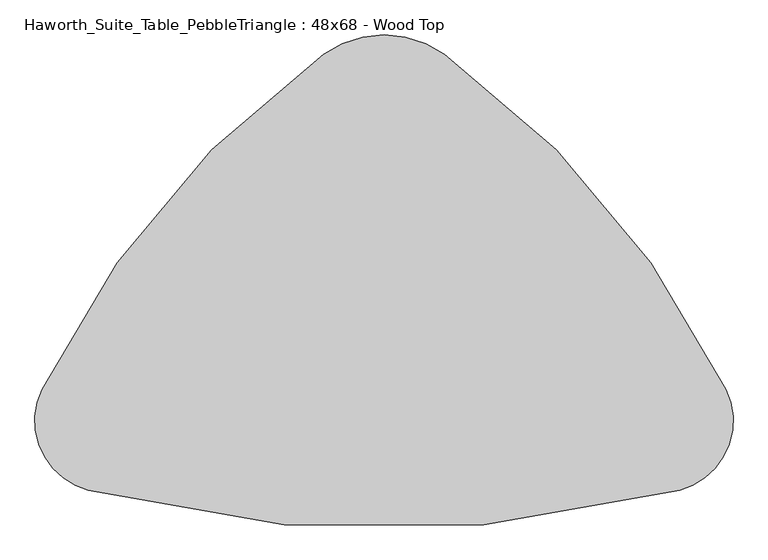
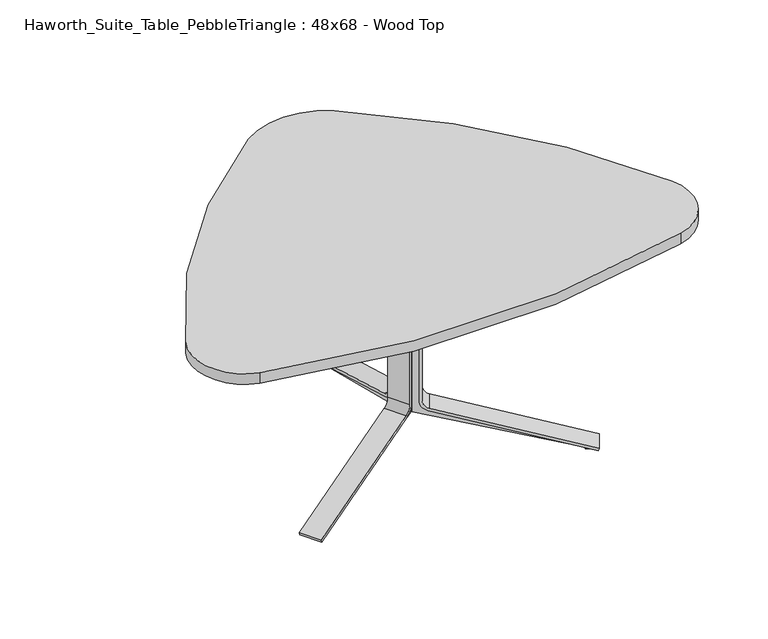
"""IFC4 building model written with IfcOpenShell, lengths in millimetres: furniture geometry, Haworth_Suite_Table_PebbleTriangle : 48x68 - Wood Top."""

from ifc_helpers import new_model, si_unit, point, frame, frame_2d, origin, place, context, project, spatial, polyline, circle_curve, trimmed, segment, composite_curve, outline, extrude, source, transform, mapped, element, save


def haworth_suite_table_pebbletriangle_48x68_wood_top_c439408d(model_context):
    return source(origin(), model_context, "Body", "SweptSolid", [
        extrude(outline(composite_curve([segment(polyline([(-269.3436324, 0.0), (-295.5330754, 5.8726591), (-44.1875449, 20.7494046)]), True, "CONTINUOUS"), segment(trimmed(circle_curve(frame_2d((-46.438684, 58.7828422)), 38.1), [point((-44.1875449, 20.7494046))], [point((-9.2618925, 50.446406))], True, "CARTESIAN"), True, "CONTINUOUS"), segment(polyline([(-9.2618925, 50.446406), (82.3027309, 458.7838346)]), True, "CONTINUOUS"), segment(trimmed(circle_curve(frame_2d((45.1259393, 467.1202708)), 38.1), [point((82.3027309, 458.7838346))], [point((63.4019806, 500.5507407))], True, "CARTESIAN"), True, "CONTINUOUS"), segment(polyline([(63.4019806, 500.5507407), (-393.0670035, 750.0969211), (-391.6775969, 756.2930555), (-363.1013705, 749.8851897), (-364.1289314, 745.3027257), (112.9884974, 503.8783626), (0.0, 0.0), (-269.3436324, 0.0)]), True, "CONTINUOUS")], self_intersect=False)), frame((-15.5441472, -673.435421, 652.2665091), z_axis=(-0.49999999999999856, 0.8660254037844395, 0.0), x_axis=(0.8450405756685904, 0.4878844038384151, -0.21880409951582677)), (0.0, 0.0, 1.0), 47.625),
        extrude(outline(composite_curve([segment(polyline([(27.4680529, -36.4513375), (174.0095606, 474.5996329), (183.1655841, 471.9741854), (36.3672848, -39.0934672)]), True, "CONTINUOUS"), segment(trimmed(circle_curve(frame_2d((-0.2519977, -28.575)), 38.1), [point((36.3672848, -39.0934672))], [point((-0.2519977, -66.675))], False, "CARTESIAN"), True, "CONTINUOUS"), segment(polyline([(-0.2519977, -66.675), (-418.7296385, -66.675)]), True, "CONTINUOUS"), segment(trimmed(circle_curve(frame_2d((-418.7296385, -28.575)), 38.1), [point((-418.7296385, -66.675))], [point((-455.3489221, -39.0934634))], False, "CARTESIAN"), True, "CONTINUOUS"), segment(polyline([(-455.3489221, -39.0934634), (-523.3798781, 197.7514787)]), True, "CONTINUOUS"), segment(trimmed(circle_curve(frame_2d((-486.7605946, 208.2699421)), 38.1), [point((-523.3798781, 197.7514787))], [point((-524.8605946, 208.2699421))], False, "CARTESIAN"), True, "CONTINUOUS"), segment(polyline([(-524.8605946, 208.2699421), (-524.8605946, 303.1768115), (-515.3355946, 303.1768115), (-515.3355946, 210.0197483)]), True, "CONTINUOUS"), segment(trimmed(circle_curve(frame_2d((-477.2355946, 210.0197483)), 38.1), [point((-515.3355946, 210.0197483))], [point((-513.8596652, 199.5179651))], True, "CARTESIAN"), True, "CONTINUOUS"), segment(polyline([(-513.8596652, 199.5179651), (-446.1965565, -36.4513375)]), True, "CONTINUOUS"), segment(trimmed(circle_curve(frame_2d((-418.7285036, -28.575)), 28.575), [point((-446.1965565, -36.4513375))], [point((-418.7285036, -57.15))], True, "CARTESIAN"), True, "CONTINUOUS"), segment(polyline([(-418.7285036, -57.15), (0.0, -57.15)]), True, "CONTINUOUS"), segment(trimmed(circle_curve(frame_2d((0.0, -28.575)), 28.575), [point((0.0, -57.15))], [point((27.4680529, -36.4513375))], True, "CARTESIAN"), True, "CONTINUOUS")], self_intersect=False)), frame((-83.5284008, -729.1839321, 186.3393812), z_axis=(-0.4999999999999986, 0.8660254037844395, 0.0), x_axis=(0.0, 0.0, -1.0)), (0.0, 0.0, 1.0), 76.2),
        extrude(outline(composite_curve([segment(polyline([(-269.3436324, 0.0), (0.0, 0.0), (112.9884974, -503.8783626), (-364.1289314, -745.3027257), (-363.1013705, -749.8851897), (-391.6775969, -756.2930555), (-393.0670035, -750.0969211), (63.4019806, -500.5507407)]), True, "CONTINUOUS"), segment(trimmed(circle_curve(frame_2d((45.1259393, -467.1202708)), 38.1), [point((63.4019806, -500.5507407))], [point((82.3027309, -458.7838346))], True, "CARTESIAN"), True, "CONTINUOUS"), segment(polyline([(82.3027309, -458.7838346), (-9.2618925, -50.446406)]), True, "CONTINUOUS"), segment(trimmed(circle_curve(frame_2d((-46.438684, -58.7828422)), 38.1), [point((-9.2618925, -50.446406))], [point((-44.1875449, -20.7494046))], True, "CARTESIAN"), True, "CONTINUOUS"), segment(polyline([(-44.1875449, -20.7494046), (-295.5330754, -5.8726591), (-269.3436324, 0.0)]), True, "CONTINUOUS")], self_intersect=False)), frame((-9.8558528, -673.435421, 652.2665091), z_axis=(0.49999999999999856, 0.8660254037844395, 0.0), x_axis=(-0.8450405756685904, 0.4878844038384151, -0.21880409951582677)), (0.0, 0.0, 1.0), 47.625),
        extrude(outline(composite_curve([segment(trimmed(circle_curve(frame_2d((0.0, 28.575)), 28.575), [point((27.4680529, 36.4513375))], [point((0.0, 57.15))], True, "CARTESIAN"), True, "CONTINUOUS"), segment(polyline([(0.0, 57.15), (-418.7285036, 57.15)]), True, "CONTINUOUS"), segment(trimmed(circle_curve(frame_2d((-418.7285036, 28.575)), 28.575), [point((-418.7285036, 57.15))], [point((-446.1965565, 36.4513375))], True, "CARTESIAN"), True, "CONTINUOUS"), segment(polyline([(-446.1965565, 36.4513375), (-513.8596652, -199.5179651)]), True, "CONTINUOUS"), segment(trimmed(circle_curve(frame_2d((-477.2355946, -210.0197483)), 38.1), [point((-513.8596652, -199.5179651))], [point((-515.3355946, -210.0197483))], True, "CARTESIAN"), True, "CONTINUOUS"), segment(polyline([(-515.3355946, -210.0197483), (-515.3355946, -303.1768115), (-524.8605946, -303.1768115), (-524.8605946, -208.2699421)]), True, "CONTINUOUS"), segment(trimmed(circle_curve(frame_2d((-486.7605946, -208.2699421)), 38.1), [point((-524.8605946, -208.2699421))], [point((-523.3798781, -197.7514787))], False, "CARTESIAN"), True, "CONTINUOUS"), segment(polyline([(-523.3798781, -197.7514787), (-455.3489221, 39.0934634)]), True, "CONTINUOUS"), segment(trimmed(circle_curve(frame_2d((-418.7296385, 28.575)), 38.1), [point((-455.3489221, 39.0934634))], [point((-418.7296385, 66.675))], False, "CARTESIAN"), True, "CONTINUOUS"), segment(polyline([(-418.7296385, 66.675), (-0.2519977, 66.675)]), True, "CONTINUOUS"), segment(trimmed(circle_curve(frame_2d((-0.2519977, 28.575)), 38.1), [point((-0.2519977, 66.675))], [point((36.3672848, 39.0934672))], False, "CARTESIAN"), True, "CONTINUOUS"), segment(polyline([(36.3672848, 39.0934672), (183.1655841, -471.9741854), (174.0095606, -474.5996329), (27.4680529, 36.4513375)]), True, "CONTINUOUS")], self_intersect=False)), frame((58.1284008, -729.1839321, 186.3393812), z_axis=(0.4999999999999986, 0.8660254037844395, 0.0), x_axis=(0.0, 0.0, -1.0)), (0.0, 0.0, 1.0), 76.2),
        extrude(outline(composite_curve([segment(polyline([(-364.4476386, 711.2), (-337.6078352, 711.2), (-579.6078709, 641.6883033)]), True, "CONTINUOUS"), segment(trimmed(circle_curve(frame_2d((-569.0894074, 605.0690197)), 38.1), [point((-579.6078709, 641.6883033))], [point((-607.1894074, 605.0690197))], True, "CARTESIAN"), True, "CONTINUOUS"), segment(polyline([(-607.1894074, 605.0690197), (-607.1894074, 186.5913789)]), True, "CONTINUOUS"), segment(trimmed(circle_curve(frame_2d((-569.0894074, 186.5913789)), 38.1), [point((-607.1894074, 186.5913789))], [point((-579.6078747, 149.9720964))], True, "CARTESIAN"), True, "CONTINUOUS"), segment(polyline([(-579.6078747, 149.9720964), (-79.5979509, 6.3500025), (-79.5979509, 0.0), (-108.8838087, 0.0), (-108.8838087, 4.69626), (-627.2647536, 135.8753736), (-627.2647536, 652.2665091), (-364.4476386, 711.2)]), True, "CONTINUOUS")], self_intersect=False)), frame((-36.5125, 0.0, 0.0), z_axis=(1.0, 0.0, 0.0), x_axis=(0.0, 1.0, 0.0)), (0.0, 0.0, 1.0), 47.625),
        extrude(outline(composite_curve([segment(polyline([(-576.9657449, 158.8713283), (-65.9147745, 12.3298206), (-68.540222, 3.1737971), (-579.6078747, 149.9720964)]), True, "CONTINUOUS"), segment(trimmed(circle_curve(frame_2d((-569.0894074, 186.5913789)), 38.1), [point((-579.6078747, 149.9720964))], [point((-607.1894074, 186.5913789))], False, "CARTESIAN"), True, "CONTINUOUS"), segment(polyline([(-607.1894074, 186.5913789), (-607.1894074, 605.0690197)]), True, "CONTINUOUS"), segment(trimmed(circle_curve(frame_2d((-569.0894074, 605.0690197)), 38.1), [point((-607.1894074, 605.0690197))], [point((-579.6078709, 641.6883033))], False, "CARTESIAN"), True, "CONTINUOUS"), segment(polyline([(-579.6078709, 641.6883033), (-342.7629288, 709.7192593)]), True, "CONTINUOUS"), segment(trimmed(circle_curve(frame_2d((-332.2444653, 673.0999758)), 38.1), [point((-342.7629288, 709.7192593))], [point((-332.2444653, 711.1999758))], False, "CARTESIAN"), True, "CONTINUOUS"), segment(polyline([(-332.2444653, 711.1999758), (-237.3375959, 711.1999758), (-237.3375959, 701.6749758), (-330.4946591, 701.6749758)]), True, "CONTINUOUS"), segment(trimmed(circle_curve(frame_2d((-330.4946591, 663.5749758)), 38.1), [point((-330.4946591, 701.6749758))], [point((-340.9964424, 700.1990464))], True, "CARTESIAN"), True, "CONTINUOUS"), segment(polyline([(-340.9964424, 700.1990464), (-576.9657449, 632.5359377)]), True, "CONTINUOUS"), segment(trimmed(circle_curve(frame_2d((-569.0894074, 605.0678848)), 28.575), [point((-576.9657449, 632.5359377))], [point((-597.6644074, 605.0678848))], True, "CARTESIAN"), True, "CONTINUOUS"), segment(polyline([(-597.6644074, 605.0678848), (-597.6644074, 186.3393812)]), True, "CONTINUOUS"), segment(trimmed(circle_curve(frame_2d((-569.0894074, 186.3393812)), 28.575), [point((-597.6644074, 186.3393812))], [point((-576.9657449, 158.8713283))], True, "CARTESIAN"), True, "CONTINUOUS")], self_intersect=False)), frame((-50.8, 0.0, 0.0), z_axis=(1.0, 0.0, 0.0), x_axis=(0.0, 1.0, 0.0)), (0.0, 0.0, 1.0), 76.2),
        extrude(outline(composite_curve([segment(trimmed(circle_curve(frame_2d((1131.0937459, -1744.6562166)), 2209.8), [point((-855.9960349, -777.8624211))], [point((-161.2446423, 47.8497193))], False, "CARTESIAN"), True, "CONTINUOUS"), segment(trimmed(circle_curve(frame_2d((-12.7, -158.1854457)), 254.0), [point((-161.2446423, 47.8497193))], [point((135.8446423, 47.8497193))], False, "CARTESIAN"), True, "CONTINUOUS"), segment(trimmed(circle_curve(frame_2d((-1156.4937459, -1744.6562166)), 2209.8), [point((135.8446423, 47.8497193))], [point((830.596031, -777.8624132))], False, "CARTESIAN"), True, "CONTINUOUS"), segment(trimmed(circle_curve(frame_2d((670.7152444, -855.6504204)), 177.8), [point((830.596031, -777.8624132))], [point((716.7143484, -1027.3971013))], False, "CARTESIAN"), True, "CONTINUOUS"), segment(trimmed(circle_curve(frame_2d((-12.7000155, 1696.0145543)), 2819.4), [point((716.7143484, -1027.3971013))], [point((-742.1143502, -1027.3971092))], False, "CARTESIAN"), True, "CONTINUOUS"), segment(trimmed(circle_curve(frame_2d((-696.115248, -855.6504277)), 177.8), [point((-742.1143502, -1027.3971092))], [point((-855.9960349, -777.8624211))], False, "CARTESIAN"), True, "CONTINUOUS")], self_intersect=False)), frame((0.0, 0.0, 711.2), z_axis=(0.0, 0.0, 1.0), x_axis=(1.0, 0.0, 0.0)), (0.0, 0.0, 1.0), 38.1),
    ])


if __name__ == "__main__":
    model = new_model("IFC4")
    model_context = context("Model", 3, world=origin())
    ifc_project = project(units=[si_unit("LENGTHUNIT", "METRE", prefix="MILLI")], contexts=[model_context])
    site = spatial("IfcSite", under=ifc_project)
    building = spatial("IfcBuilding", under=site)
    placement = place(None, origin())
    haworth_suite_table_pebbletriangle_48x68_wood_top_shape = haworth_suite_table_pebbletriangle_48x68_wood_top_c439408d(model_context)
    element("IfcFurniture", 1, ObjectType="Haworth_Suite_Table_PebbleTriangle : 48x68 - Wood Top", at=placement, inside=building, context=model_context, shape_type="MappedRepresentation", body=[
        mapped(haworth_suite_table_pebbletriangle_48x68_wood_top_shape, transform((0.0, 0.0, 0.0), x_axis=(1.0, 0.0, 0.0), y_axis=(0.0, 1.0, 0.0), z_axis=(0.0, 0.0, 1.0))),
    ])
    save(model, "model.ifc")
